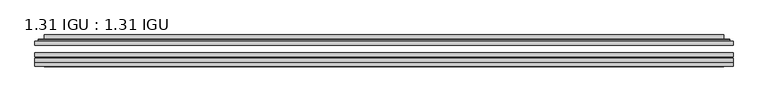
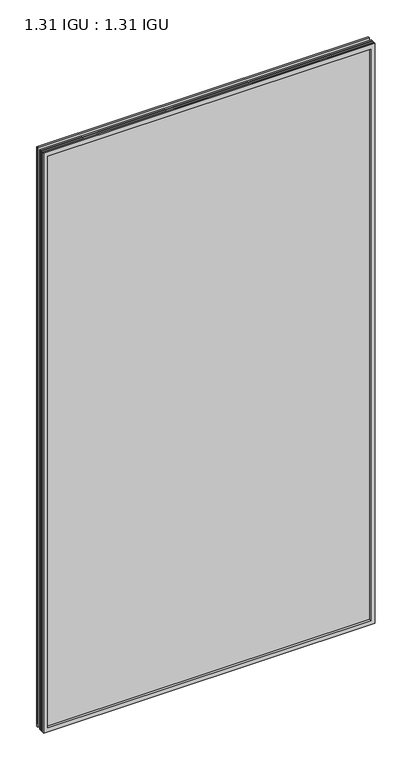
"""IFC4 building model written with IfcOpenShell, lengths in millimetres: plate geometry, 1.31 IGU : 1.31 IGU."""

from ifc_helpers import new_model, si_unit, frame, origin, place, context, project, spatial, polyline, ellipse_curve, outline, extrude, faceted_brep, source, transform, mapped, element, save
from ifc_brep_helpers import plane_surface, cylinder_surface, advanced_brep


def plate_1_31_igu_1_31_igu_b514e6f4(model_context):
    return source(origin(), model_context, "Body", "SolidModel", [
        extrude(outline(polyline([(547.70485, -63.2975937), (547.70485, -69.6475938), (-547.690675, -69.6475938), (-547.690675, -63.2975937), (547.70485, -63.2975937)])), frame((0.0, 0.0, -14.2875), z_axis=(0.0, 0.0, 1.0), x_axis=(1.0, 0.0, 0.0)), (0.0, 0.0, 1.0), 2022.4787979),
        extrude(outline(polyline([(-547.690675, -78.2835938), (-547.690675, -71.9330887), (547.70485, -71.9330887), (547.70485, -78.2835938), (-547.690675, -78.2835938)])), frame((0.0, 0.0, -14.2875), z_axis=(0.0, 0.0, 1.0), x_axis=(1.0, 0.0, 0.0)), (0.0, 0.0, 1.0), 2022.4787979),
        extrude(outline(polyline([(547.70485, -44.9587937), (547.70485, -51.3087938), (-547.690675, -51.3087938), (-547.690675, -44.9587937), (547.70485, -44.9587937)])), frame((0.0, 0.0, -14.2875), z_axis=(0.0, 0.0, 1.0), x_axis=(1.0, 0.0, 0.0)), (0.0, 0.0, 1.0), 2022.4787979),
        faceted_brep([(-547.703375, -84.6335937, 2008.2002), (-547.703375, -78.2835937, 2008.2002), (-547.703375, -78.2835937, -14.3002), (-547.703375, -84.6335937, -14.3002), (547.703375, -78.2835937, -14.3002), (547.703375, -84.6335937, -14.3002), (547.703375, -78.2835937, 2008.2002), (547.703375, -84.6335937, 2008.2002), (-532.5054309, -78.2835937, 0.8977441), (532.5054309, -78.2835937, 0.8977441), (532.5054309, -78.2835937, 1993.0022559), (-532.5054309, -78.2835937, 1993.0022559), (-533.3978652, -84.6335937, 1993.8946902), (533.3978652, -84.6335937, 1993.8946902), (533.3978652, -84.6335937, 0.0053098), (-533.3978652, -84.6335937, 0.0053098)], [[[0, 1, 2, 3]], [[3, 2, 4, 5]], [[5, 4, 6, 7]], [[1, 6, 4, 2], [8, 9, 10, 11]], [[7, 6, 1, 0]], [[3, 5, 7, 0], [12, 13, 14, 15]], [[11, 12, 15, 8]], [[8, 15, 14, 9]], [[9, 14, 13, 10]], [[10, 13, 12, 11]]]),
        advanced_brep(
        [(-540.449394, -44.9587937, 2000.946219), (-542.8035994, -42.9691271, 2003.3004244), (-542.8035994, -42.9691271, -9.4004244), (-540.449394, -44.9587937, -7.046219), (-531.3750689, -41.1187568, 1991.8718939), (-526.4402371, -44.9587937, 1986.9370621), (-526.4402371, -44.9587937, 6.9629379), (-531.3750689, -41.1187568, 2.0281061), (-532.4070967, -35.7215256, 1992.9039217), (-532.4070967, -35.7215256, 0.9960783), (-533.3977534, -35.3225507, 1993.8945784), (-533.3977534, -35.3225507, 0.0054216), (-533.3977534, -41.7837937, 1993.8945784), (-533.3977534, -41.7837937, 0.0054216), (-541.8018099, -41.7837937, 2002.2986349), (-541.8018099, -41.7837937, -8.3986349), (542.8035994, -42.9691271, -9.4004244), (540.449394, -44.9587937, -7.046219), (526.4402371, -44.9587937, 6.9629379), (531.3750689, -41.1187568, 2.0281061), (532.4070967, -35.7215256, 0.9960783), (533.3977534, -35.3225507, 0.0054216), (533.3977534, -41.7837937, 0.0054216), (541.8018099, -41.7837937, -8.3986349), (542.8035994, -42.9691271, 2003.3004244), (540.449394, -44.9587937, 2000.946219), (526.4402371, -44.9587937, 1986.9370621), (531.3750689, -41.1187568, 1991.8718939), (532.4070967, -35.7215256, 1992.9039217), (533.3977534, -35.3225507, 1993.8945784), (533.3977534, -41.7837937, 1993.8945784), (541.8018099, -41.7837937, 2002.2986349)],
        [
            (0, 1, ellipse_curve(frame((-540.449394, -42.5711937, 2000.946219), z_axis=(-0.7071067811865475, 0.0, -0.7071067811865475), x_axis=(-0.7071067811865474, 0.0, 0.7071067811865476)), 3.3765763, 2.3876)),
            (1, 2),
            (2, 3, ellipse_curve(frame((-540.449394, -42.5711937, -7.046219), z_axis=(-0.7071067811865475, 0.0, 0.7071067811865475), x_axis=(0.7071067811865474, 0.0, 0.7071067811865476)), 3.3765763, 2.3876)),
            (3, 0),
            (4, 5),
            (5, 6),
            (6, 7),
            (7, 4),
            (8, 4),
            (7, 9),
            (9, 8),
            (10, 8, ellipse_curve(frame((-533.0307969, -35.840786, 1993.5276219), z_axis=(-0.7071067811865475, 0.0, -0.7071067811865475), x_axis=(-0.7071067811865474, 0.0, 0.7071067811865476)), 0.8980256, 0.635)),
            (9, 11, ellipse_curve(frame((-533.0307969, -35.840786, 0.3723781), z_axis=(-0.7071067811865475, 0.0, 0.7071067811865475), x_axis=(0.7071067811865474, 0.0, 0.7071067811865476)), 0.8980256, 0.635)),
            (11, 10),
            (12, 10),
            (11, 13),
            (13, 12),
            (1, 14, ellipse_curve(frame((-541.8018099, -42.7997937, 2002.2986349), z_axis=(-0.7071067811865475, 0.0, -0.7071067811865475), x_axis=(-0.7071067811865474, 0.0, 0.7071067811865476)), 1.436841, 1.016)),
            (14, 15),
            (15, 2, ellipse_curve(frame((-541.8018099, -42.7997937, -8.3986349), z_axis=(-0.7071067811865475, 0.0, 0.7071067811865475), x_axis=(0.7071067811865474, 0.0, 0.7071067811865476)), 1.436841, 1.016)),
            (2, 16),
            (16, 17, ellipse_curve(frame((540.449394, -42.5711937, -7.046219), z_axis=(-0.7071067811865475, 0.0, -0.7071067811865475), x_axis=(-0.7071067811865476, 0.0, 0.7071067811865474)), 3.3765763, 2.3876)),
            (17, 3),
            (6, 18),
            (18, 19),
            (19, 7),
            (19, 20),
            (20, 9),
            (20, 21, ellipse_curve(frame((533.0307969, -35.840786, 0.3723781), z_axis=(-0.7071067811865475, 0.0, -0.7071067811865475), x_axis=(-0.7071067811865476, 0.0, 0.7071067811865474)), 0.8980256, 0.635)),
            (21, 11),
            (21, 22),
            (22, 13),
            (15, 23),
            (23, 16, ellipse_curve(frame((541.8018099, -42.7997937, -8.3986349), z_axis=(-0.7071067811865475, 0.0, -0.7071067811865475), x_axis=(-0.7071067811865476, 0.0, 0.7071067811865474)), 1.436841, 1.016)),
            (16, 24),
            (24, 25, ellipse_curve(frame((540.449394, -42.5711937, 2000.946219), z_axis=(0.7071067811865475, 0.0, -0.7071067811865475), x_axis=(-0.7071067811865474, 0.0, -0.7071067811865476)), 3.3765763, 2.3876)),
            (25, 17),
            (18, 26),
            (26, 27),
            (27, 19),
            (27, 28),
            (28, 20),
            (28, 29, ellipse_curve(frame((533.0307969, -35.840786, 1993.5276219), z_axis=(0.7071067811865475, 0.0, -0.7071067811865475), x_axis=(-0.7071067811865474, 0.0, -0.7071067811865476)), 0.8980256, 0.635)),
            (29, 21),
            (29, 30),
            (30, 22),
            (23, 31),
            (31, 24, ellipse_curve(frame((541.8018099, -42.7997937, 2002.2986349), z_axis=(0.7071067811865475, 0.0, -0.7071067811865475), x_axis=(-0.7071067811865474, 0.0, -0.7071067811865476)), 1.436841, 1.016)),
            (24, 1),
            (0, 25),
            (5, 26),
            (4, 27),
            (8, 28),
            (10, 29),
            (12, 30),
            (14, 31),
        ],
        [
            cylinder_surface(frame((-540.449394, -42.5711937, 2025.65), z_axis=(0.0, 0.0, 1.0), x_axis=(-1.0, 0.0, 0.0)), 2.3876),
            plane_surface(frame((-526.4402371, -44.9587937, 1986.9370621), z_axis=(0.6141233906514794, 0.7892100234124821, 0.0), x_axis=(0.0, 0.0, -1.0))),
            plane_surface(frame((-531.3750689, -41.1187568, 1991.8718939), z_axis=(0.9822050625507729, 0.18781164793386076, 0.0), x_axis=(0.0, 0.0, -1.0))),
            cylinder_surface(frame((-533.0307969, -35.840786, 2025.65), z_axis=(0.0, 0.0, 1.0), x_axis=(-1.0, 0.0, 0.0)), 0.635),
            plane_surface(frame((-533.3977534, -35.3225507, 1993.8945784), z_axis=(-1.0, 0.0, 0.0), x_axis=(0.0, 0.0, -1.0))),
            cylinder_surface(frame((-541.8018099, -42.7997937, 2025.65), z_axis=(0.0, 0.0, 1.0), x_axis=(-1.0, 0.0, 0.0)), 1.016),
            cylinder_surface(frame((-565.153175, -42.5711937, -7.046219), z_axis=(-1.0, 0.0, 0.0), x_axis=(0.0, 0.0, -1.0)), 2.3876),
            plane_surface(frame((-526.4402371, -44.9587937, 6.9629379), z_axis=(0.0, 0.7892100234124841, 0.6141233906514768), x_axis=(1.0, 0.0, 0.0))),
            plane_surface(frame((-531.3750689, -41.1187568, 2.0281061), z_axis=(0.0, 0.18781164793386393, 0.9822050625507723), x_axis=(1.0, 0.0, 0.0))),
            cylinder_surface(frame((-565.153175, -35.840786, 0.3723781), z_axis=(-1.0, 0.0, 0.0), x_axis=(0.0, 0.0, -1.0)), 0.635),
            plane_surface(frame((-533.3977534, -35.3225507, 0.0054216), z_axis=(0.0, 0.0, -1.0), x_axis=(1.0, 0.0, 0.0))),
            cylinder_surface(frame((-565.153175, -42.7997937, -8.3986349), z_axis=(-1.0, 0.0, 0.0), x_axis=(0.0, 0.0, -1.0)), 1.016),
            cylinder_surface(frame((540.449394, -42.5711937, -31.75), z_axis=(0.0, 0.0, -1.0), x_axis=(1.0, 0.0, 0.0)), 2.3876),
            plane_surface(frame((526.4402371, -44.9587937, 6.9629379), z_axis=(-0.6141233906514743, 0.7892100234124861, 0.0), x_axis=(0.0, 0.0, 1.0))),
            plane_surface(frame((531.3750689, -41.1187568, 2.0281061), z_axis=(-0.9822050625507718, 0.1878116479338671, 0.0), x_axis=(0.0, 0.0, 1.0))),
            cylinder_surface(frame((533.0307969, -35.840786, -31.75), z_axis=(0.0, 0.0, -1.0), x_axis=(1.0, 0.0, 0.0)), 0.635),
            plane_surface(frame((533.3977534, -35.3225507, 0.0054216), z_axis=(1.0, 0.0, 0.0), x_axis=(0.0, 0.0, 1.0))),
            cylinder_surface(frame((541.8018099, -42.7997937, -31.75), z_axis=(0.0, 0.0, -1.0), x_axis=(1.0, 0.0, 0.0)), 1.016),
            cylinder_surface(frame((565.153175, -42.5711937, 2000.946219), z_axis=(1.0, 0.0, 0.0), x_axis=(0.0, 0.0, 1.0)), 2.3876),
            plane_surface(frame((540.449394, -44.9587937, 2000.946219), z_axis=(0.0, -1.0, 0.0), x_axis=(-1.0, 0.0, 0.0))),
            plane_surface(frame((526.4402371, -44.9587937, 1986.9370621), z_axis=(0.0, 0.7892100234124841, -0.6141233906514768), x_axis=(-1.0, 0.0, 0.0))),
            plane_surface(frame((531.3750689, -41.1187568, 1991.8718939), z_axis=(0.0, 0.18781164793386393, -0.9822050625507723), x_axis=(-1.0, 0.0, 0.0))),
            cylinder_surface(frame((565.153175, -35.840786, 1993.5276219), z_axis=(1.0, 0.0, 0.0), x_axis=(0.0, 0.0, 1.0)), 0.635),
            plane_surface(frame((533.3977534, -35.3225507, 1993.8945784), z_axis=(0.0, 0.0, 1.0), x_axis=(-1.0, 0.0, 0.0))),
            plane_surface(frame((533.3977534, -41.7837937, 1993.8945784), z_axis=(0.0, 1.0, 0.0), x_axis=(-1.0, 0.0, 0.0))),
            cylinder_surface(frame((565.153175, -42.7997937, 2002.2986349), z_axis=(1.0, 0.0, 0.0), x_axis=(0.0, 0.0, 1.0)), 1.016),
        ],
        [
            (0, [[1, 2, 3, 4]]),
            (1, [[5, 6, 7, 8]]),
            (2, [[9, -8, 10, 11]]),
            (3, [[12, -11, 13, 14]]),
            (4, [[15, -14, 16, 17]]),
            (5, [[18, 19, 20, -2]]),
            (6, [[-3, 21, 22, 23]]),
            (7, [[-7, 24, 25, 26]]),
            (8, [[-10, -26, 27, 28]]),
            (9, [[-13, -28, 29, 30]]),
            (10, [[-16, -30, 31, 32]]),
            (11, [[-20, 33, 34, -21]]),
            (12, [[-22, 35, 36, 37]]),
            (13, [[-25, 38, 39, 40]]),
            (14, [[-27, -40, 41, 42]]),
            (15, [[-29, -42, 43, 44]]),
            (16, [[-31, -44, 45, 46]]),
            (17, [[-34, 47, 48, -35]]),
            (18, [[-36, 49, -1, 50]]),
            (19, [[-23, -37, -50, -4], [51, -38, -24, -6]]),
            (20, [[-39, -51, -5, 52]]),
            (21, [[-41, -52, -9, 53]]),
            (22, [[-43, -53, -12, 54]]),
            (23, [[-45, -54, -15, 55]]),
            (24, [[56, -47, -33, -19], [-32, -46, -55, -17]]),
            (25, [[-48, -56, -18, -49]]),
        ],
    ),
    ])


if __name__ == "__main__":
    model = new_model("IFC4")
    model_context = context("Model", 3, world=origin())
    ifc_project = project(units=[si_unit("LENGTHUNIT", "METRE", prefix="MILLI")], contexts=[model_context])
    site = spatial("IfcSite", under=ifc_project)
    building = spatial("IfcBuilding", under=site)
    placement = place(None, origin())
    plate_1_31_igu_1_31_igu_shape = plate_1_31_igu_1_31_igu_b514e6f4(model_context)
    element("IfcPlate", 1, ObjectType="1.31 IGU : 1.31 IGU", at=placement, inside=building, context=model_context, shape_type="MappedRepresentation", body=[
        mapped(plate_1_31_igu_1_31_igu_shape, transform((0.0, 0.0, 0.0), x_axis=(1.0, 0.0, 0.0), y_axis=(0.0, 1.0, 0.0), z_axis=(0.0, 0.0, 1.0))),
    ])
    save(model, "model.ifc")
